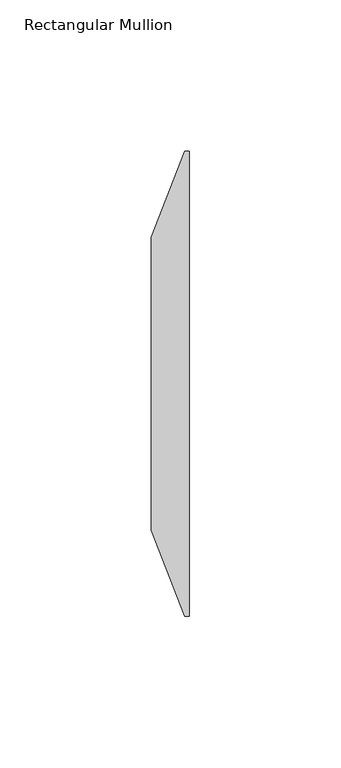
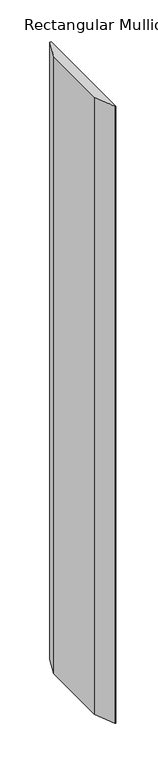
"""IFC4 building model written with IfcOpenShell, lengths in millimetres: member geometry, Rectangular Mullion."""

from ifc_helpers import new_model, si_unit, frame, origin, place, context, project, spatial, polyline, outline, extrude, source, transform, mapped, element, save


def rectangular_mullion_693ce6d1(model_context):
    return source(origin(), model_context, "Body", "SweptSolid", [
        extrude(outline(polyline([(0.0, 50.8), (0.0, -103.1875), (-1.5875, -103.1875), (-12.7, -74.6125), (-12.7, 22.225), (-1.5875, 50.8), (0.0, 50.8)])), frame((0.0, 0.0, -898.525), z_axis=(0.0, 0.0, 1.0), x_axis=(1.0, 0.0, 0.0)), (0.0, 0.0, 1.0), 898.525),
    ])


if __name__ == "__main__":
    model = new_model("IFC4")
    model_context = context("Model", 3, world=origin())
    ifc_project = project(units=[si_unit("LENGTHUNIT", "METRE", prefix="MILLI")], contexts=[model_context])
    site = spatial("IfcSite", under=ifc_project)
    building = spatial("IfcBuilding", under=site)
    placement = place(None, origin())
    rectangular_mullion_shape = rectangular_mullion_693ce6d1(model_context)
    element("IfcMember", 1, ObjectType="Rectangular Mullion", at=placement, inside=building, context=model_context, shape_type="MappedRepresentation", body=[
        mapped(rectangular_mullion_shape, transform((0.0, 0.0, 0.0), x_axis=(1.0, 0.0, 0.0), y_axis=(0.0, 1.0, 0.0), z_axis=(0.0, 0.0, 1.0))),
    ])
    save(model, "model.ifc")
